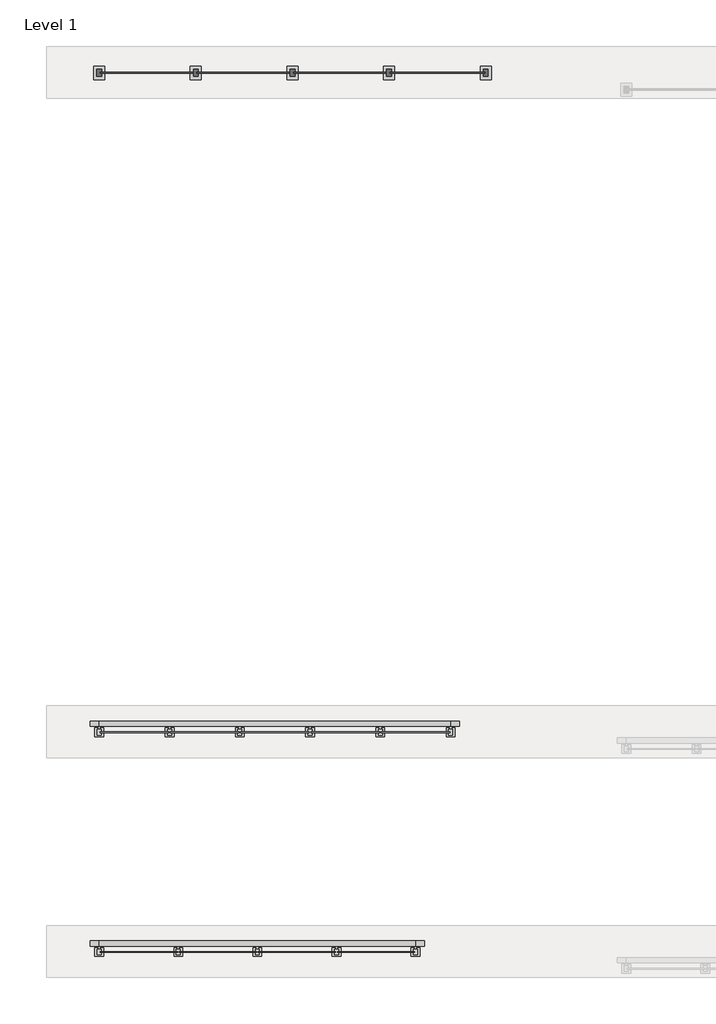
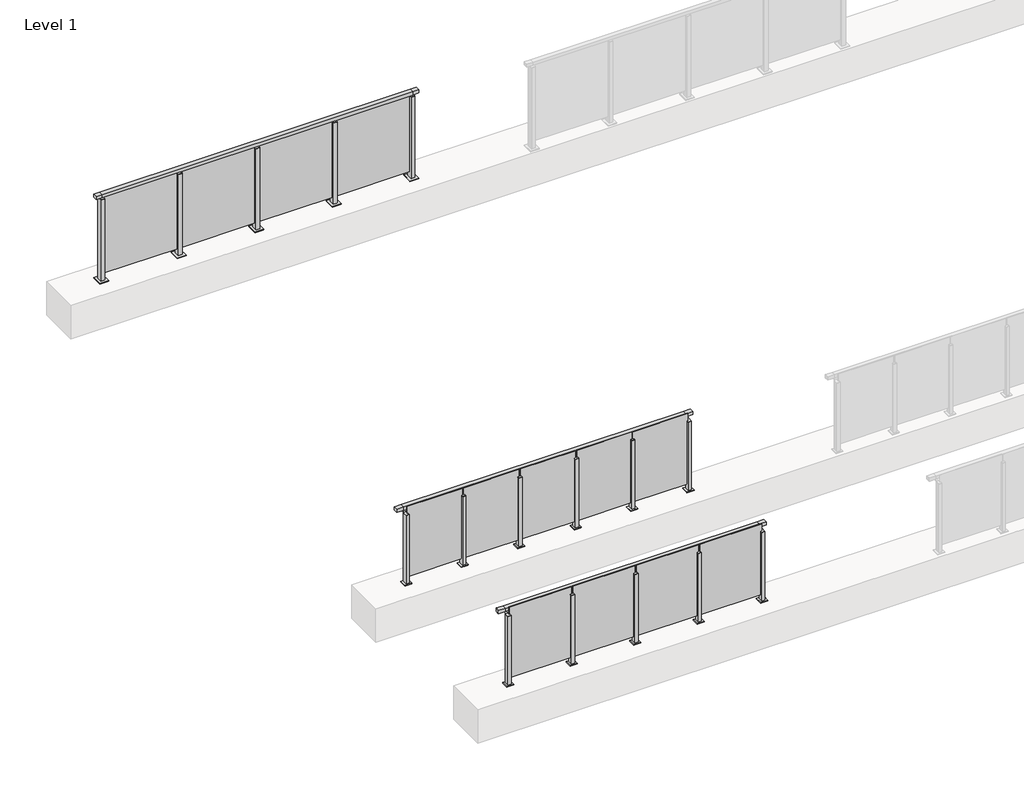
# One storey, part 10 of 38: 3 railings.
"""IFC4 building model written with IfcOpenShell, lengths in millimetres."""

from ifc_helpers import new_model, si_unit, point, frame, frame_2d, origin, origin_with_axes, place, context, project, spatial, polyline, circle_curve, trimmed, segment, composite_curve, outline, extrude, faceted_brep, element, save

model = new_model("IFC4")

# Units and contexts
model_context = context("Model", 3, world=origin())
ifc_project = project(units=[si_unit("LENGTHUNIT", "METRE", prefix="MILLI")], contexts=[model_context])

# Site, building, storey
site = spatial("IfcSite", under=ifc_project)
building = spatial("IfcBuilding", under=site)
storey = spatial("IfcBuildingStorey", under=building, Name="Level 1", Elevation=0.0)

# Railings
placement = place(None, origin())
element("IfcRailing", 1, at=placement, inside=storey, context=model_context, shape_type="SolidModel", body=[
    faceted_brep([(29476.1884576, 5315.6846828, 1052.5), (29476.1884576, 5315.6846828, 1100.0), (33076.1884576, 5315.6846828, 1100.0), (33076.1884576, 5315.6846828, 1052.5), (29476.1884576, 5255.6846828, 1052.5), (33076.1884576, 5255.6846828, 1052.5), (29476.1884576, 5255.6846828, 1100.0), (33076.1884576, 5255.6846828, 1100.0), (29376.1884576, 5315.6846828, 1100.0), (29376.1884576, 5315.6846828, 1052.5), (29376.1884576, 5255.6846828, 1052.5), (29376.1884576, 5255.6846828, 1100.0), (33176.1884576, 5315.6846828, 1100.0), (33176.1884576, 5255.6846828, 1100.0), (33176.1884576, 5255.6846828, 1052.5), (33176.1884576, 5315.6846828, 1052.5)], [[[0, 1, 2, 3]], [[4, 0, 3, 5]], [[6, 4, 5, 7]], [[1, 6, 7, 2]], [[8, 9, 10, 11]], [[9, 8, 1, 0]], [[10, 9, 0, 4]], [[11, 10, 4, 6]], [[8, 11, 6, 1]], [[12, 13, 14, 15]], [[3, 2, 12, 15]], [[5, 3, 15, 14]], [[7, 5, 14, 13]], [[2, 7, 13, 12]]]),
    extrude(outline(polyline([(32186.1884576, 5184.4094929), (32186.1884576, 5194.4094929), (33066.1884576, 5194.4094929), (33066.1884576, 5184.4094929), (32186.1884576, 5184.4094929)])), frame((0.0, 0.0, 95.0), z_axis=(0.0, 0.0, 1.0), x_axis=(1.0, 0.0, 0.0)), (0.0, 0.0, 1.0), 1055.0),
    extrude(outline(composite_curve([segment(polyline([(5310.6846828, 1085.0), (5310.6846828, 1060.900037)]), True, "CONTINUOUS"), segment(trimmed(circle_curve(frame_2d((5300.6846828, 1060.900037)), 10.0), [point((5310.6846828, 1060.900037))], [point((5303.2728733, 1051.2407787))], False, "CARTESIAN"), True, "CONTINUOUS"), segment(polyline([(5303.2728733, 1051.2407787), (5246.2244733, 1035.9547061)]), True, "CONTINUOUS"), segment(trimmed(circle_curve(frame_2d((5248.8126638, 1026.2954478)), 10.0), [point((5246.2244733, 1035.9547061))], [point((5238.8982152, 1027.6007097))], True, "CARTESIAN"), True, "CONTINUOUS"), segment(polyline([(5238.8982152, 1027.6007097), (5234.291393, 992.6084214)]), True, "CONTINUOUS"), segment(trimmed(circle_curve(frame_2d((5231.3170584, 993.0)), 3.0), [point((5234.291393, 992.6084214))], [point((5231.3170584, 990.0))], False, "CARTESIAN"), True, "CONTINUOUS"), segment(polyline([(5231.3170584, 990.0), (5222.6846828, 990.0), (5222.6846828, 1040.0), (5286.6846828, 1057.1487483), (5286.6846828, 1085.0), (5310.6846828, 1085.0)]), True, "CONTINUOUS")], self_intersect=False)), frame((32163.6884576, 0.0, 0.0), z_axis=(1.0, 0.0, 0.0), x_axis=(0.0, 1.0, 0.0)), (0.0, 0.0, 1.0), 25.0),
    extrude(outline(polyline([(32198.6884576, 5222.6846828), (32198.6884576, 5157.6846828), (32153.6884576, 5157.6846828), (32153.6884576, 5222.6846828), (32198.6884576, 5222.6846828)])), frame((0.0, 0.0, 1040.0), z_axis=(0.0, 0.0, 1.0), x_axis=(1.0, 0.0, 0.0)), (0.0, 0.0, 1.0), 5.0),
    extrude(outline(polyline([(32226.1884576, 5240.1846828), (32226.1884576, 5140.1846828), (32126.1884576, 5140.1846828), (32126.1884576, 5240.1846828), (32226.1884576, 5240.1846828)])), origin_with_axes(), (0.0, 0.0, 1.0), 12.0),
    extrude(outline(polyline([(32198.6884576, 5222.6846828), (32198.6884576, 5157.6846828), (32153.6884576, 5157.6846828), (32153.6884576, 5222.6846828), (32198.6884576, 5222.6846828)])), frame((0.0, 0.0, 12.0), z_axis=(0.0, 0.0, 1.0), x_axis=(1.0, 0.0, 0.0)), (0.0, 0.0, 1.0), 1028.0),
    extrude(outline(polyline([(31286.1884576, 5184.4094929), (31286.1884576, 5194.4094929), (32166.1884576, 5194.4094929), (32166.1884576, 5184.4094929), (31286.1884576, 5184.4094929)])), frame((0.0, 0.0, 95.0), z_axis=(0.0, 0.0, 1.0), x_axis=(1.0, 0.0, 0.0)), (0.0, 0.0, 1.0), 1055.0),
    extrude(outline(composite_curve([segment(polyline([(5310.6846828, 1085.0), (5310.6846828, 1060.900037)]), True, "CONTINUOUS"), segment(trimmed(circle_curve(frame_2d((5300.6846828, 1060.900037)), 10.0), [point((5310.6846828, 1060.900037))], [point((5303.2728733, 1051.2407787))], False, "CARTESIAN"), True, "CONTINUOUS"), segment(polyline([(5303.2728733, 1051.2407787), (5246.2244733, 1035.9547061)]), True, "CONTINUOUS"), segment(trimmed(circle_curve(frame_2d((5248.8126638, 1026.2954478)), 10.0), [point((5246.2244733, 1035.9547061))], [point((5238.8982152, 1027.6007097))], True, "CARTESIAN"), True, "CONTINUOUS"), segment(polyline([(5238.8982152, 1027.6007097), (5234.291393, 992.6084214)]), True, "CONTINUOUS"), segment(trimmed(circle_curve(frame_2d((5231.3170584, 993.0)), 3.0), [point((5234.291393, 992.6084214))], [point((5231.3170584, 990.0))], False, "CARTESIAN"), True, "CONTINUOUS"), segment(polyline([(5231.3170584, 990.0), (5222.6846828, 990.0), (5222.6846828, 1040.0), (5286.6846828, 1057.1487483), (5286.6846828, 1085.0), (5310.6846828, 1085.0)]), True, "CONTINUOUS")], self_intersect=False)), frame((31263.6884576, 0.0, 0.0), z_axis=(1.0, 0.0, 0.0), x_axis=(0.0, 1.0, 0.0)), (0.0, 0.0, 1.0), 25.0),
    extrude(outline(polyline([(31298.6884576, 5222.6846828), (31298.6884576, 5157.6846828), (31253.6884576, 5157.6846828), (31253.6884576, 5222.6846828), (31298.6884576, 5222.6846828)])), frame((0.0, 0.0, 1040.0), z_axis=(0.0, 0.0, 1.0), x_axis=(1.0, 0.0, 0.0)), (0.0, 0.0, 1.0), 5.0),
    extrude(outline(polyline([(31326.1884576, 5240.1846828), (31326.1884576, 5140.1846828), (31226.1884576, 5140.1846828), (31226.1884576, 5240.1846828), (31326.1884576, 5240.1846828)])), origin_with_axes(), (0.0, 0.0, 1.0), 12.0),
    extrude(outline(polyline([(31298.6884576, 5222.6846828), (31298.6884576, 5157.6846828), (31253.6884576, 5157.6846828), (31253.6884576, 5222.6846828), (31298.6884576, 5222.6846828)])), frame((0.0, 0.0, 12.0), z_axis=(0.0, 0.0, 1.0), x_axis=(1.0, 0.0, 0.0)), (0.0, 0.0, 1.0), 1028.0),
    extrude(outline(polyline([(30386.1884576, 5184.4094929), (30386.1884576, 5194.4094929), (31266.1884576, 5194.4094929), (31266.1884576, 5184.4094929), (30386.1884576, 5184.4094929)])), frame((0.0, 0.0, 95.0), z_axis=(0.0, 0.0, 1.0), x_axis=(1.0, 0.0, 0.0)), (0.0, 0.0, 1.0), 1055.0),
    extrude(outline(composite_curve([segment(polyline([(5310.6846828, 1085.0), (5310.6846828, 1060.900037)]), True, "CONTINUOUS"), segment(trimmed(circle_curve(frame_2d((5300.6846828, 1060.900037)), 10.0), [point((5310.6846828, 1060.900037))], [point((5303.2728733, 1051.2407787))], False, "CARTESIAN"), True, "CONTINUOUS"), segment(polyline([(5303.2728733, 1051.2407787), (5246.2244733, 1035.9547061)]), True, "CONTINUOUS"), segment(trimmed(circle_curve(frame_2d((5248.8126638, 1026.2954478)), 10.0), [point((5246.2244733, 1035.9547061))], [point((5238.8982152, 1027.6007097))], True, "CARTESIAN"), True, "CONTINUOUS"), segment(polyline([(5238.8982152, 1027.6007097), (5234.291393, 992.6084214)]), True, "CONTINUOUS"), segment(trimmed(circle_curve(frame_2d((5231.3170584, 993.0)), 3.0), [point((5234.291393, 992.6084214))], [point((5231.3170584, 990.0))], False, "CARTESIAN"), True, "CONTINUOUS"), segment(polyline([(5231.3170584, 990.0), (5222.6846828, 990.0), (5222.6846828, 1040.0), (5286.6846828, 1057.1487483), (5286.6846828, 1085.0), (5310.6846828, 1085.0)]), True, "CONTINUOUS")], self_intersect=False)), frame((30363.6884576, 0.0, 0.0), z_axis=(1.0, 0.0, 0.0), x_axis=(0.0, 1.0, 0.0)), (0.0, 0.0, 1.0), 25.0),
    extrude(outline(polyline([(30398.6884576, 5222.6846828), (30398.6884576, 5157.6846828), (30353.6884576, 5157.6846828), (30353.6884576, 5222.6846828), (30398.6884576, 5222.6846828)])), frame((0.0, 0.0, 1040.0), z_axis=(0.0, 0.0, 1.0), x_axis=(1.0, 0.0, 0.0)), (0.0, 0.0, 1.0), 5.0),
    extrude(outline(polyline([(30426.1884576, 5240.1846828), (30426.1884576, 5140.1846828), (30326.1884576, 5140.1846828), (30326.1884576, 5240.1846828), (30426.1884576, 5240.1846828)])), origin_with_axes(), (0.0, 0.0, 1.0), 12.0),
    extrude(outline(polyline([(30398.6884576, 5222.6846828), (30398.6884576, 5157.6846828), (30353.6884576, 5157.6846828), (30353.6884576, 5222.6846828), (30398.6884576, 5222.6846828)])), frame((0.0, 0.0, 12.0), z_axis=(0.0, 0.0, 1.0), x_axis=(1.0, 0.0, 0.0)), (0.0, 0.0, 1.0), 1028.0),
    extrude(outline(polyline([(29486.1884576, 5184.4094929), (29486.1884576, 5194.4094929), (30366.1884576, 5194.4094929), (30366.1884576, 5184.4094929), (29486.1884576, 5184.4094929)])), frame((0.0, 0.0, 95.0), z_axis=(0.0, 0.0, 1.0), x_axis=(1.0, 0.0, 0.0)), (0.0, 0.0, 1.0), 1055.0),
    extrude(outline(composite_curve([segment(polyline([(5310.6846828, 1085.0), (5310.6846828, 1060.900037)]), True, "CONTINUOUS"), segment(trimmed(circle_curve(frame_2d((5300.6846828, 1060.900037)), 10.0), [point((5310.6846828, 1060.900037))], [point((5303.2728733, 1051.2407787))], False, "CARTESIAN"), True, "CONTINUOUS"), segment(polyline([(5303.2728733, 1051.2407787), (5246.2244733, 1035.9547061)]), True, "CONTINUOUS"), segment(trimmed(circle_curve(frame_2d((5248.8126638, 1026.2954478)), 10.0), [point((5246.2244733, 1035.9547061))], [point((5238.8982152, 1027.6007097))], True, "CARTESIAN"), True, "CONTINUOUS"), segment(polyline([(5238.8982152, 1027.6007097), (5234.291393, 992.6084214)]), True, "CONTINUOUS"), segment(trimmed(circle_curve(frame_2d((5231.3170584, 993.0)), 3.0), [point((5234.291393, 992.6084214))], [point((5231.3170584, 990.0))], False, "CARTESIAN"), True, "CONTINUOUS"), segment(polyline([(5231.3170584, 990.0), (5222.6846828, 990.0), (5222.6846828, 1040.0), (5286.6846828, 1057.1487483), (5286.6846828, 1085.0), (5310.6846828, 1085.0)]), True, "CONTINUOUS")], self_intersect=False)), frame((33063.6884576, 0.0, 0.0), z_axis=(1.0, 0.0, 0.0), x_axis=(0.0, 1.0, 0.0)), (0.0, 0.0, 1.0), 25.0),
    extrude(outline(polyline([(33098.6884576, 5222.6846828), (33098.6884576, 5157.6846828), (33053.6884576, 5157.6846828), (33053.6884576, 5222.6846828), (33098.6884576, 5222.6846828)])), frame((0.0, 0.0, 1040.0), z_axis=(0.0, 0.0, 1.0), x_axis=(1.0, 0.0, 0.0)), (0.0, 0.0, 1.0), 5.0),
    extrude(outline(polyline([(33126.1884576, 5240.1846828), (33126.1884576, 5140.1846828), (33026.1884576, 5140.1846828), (33026.1884576, 5240.1846828), (33126.1884576, 5240.1846828)])), origin_with_axes(), (0.0, 0.0, 1.0), 12.0),
    extrude(outline(polyline([(33098.6884576, 5222.6846828), (33098.6884576, 5157.6846828), (33053.6884576, 5157.6846828), (33053.6884576, 5222.6846828), (33098.6884576, 5222.6846828)])), frame((0.0, 0.0, 12.0), z_axis=(0.0, 0.0, 1.0), x_axis=(1.0, 0.0, 0.0)), (0.0, 0.0, 1.0), 1028.0),
    extrude(outline(composite_curve([segment(polyline([(5310.6846828, 1085.0), (5310.6846828, 1060.900037)]), True, "CONTINUOUS"), segment(trimmed(circle_curve(frame_2d((5300.6846828, 1060.900037)), 10.0), [point((5310.6846828, 1060.900037))], [point((5303.2728733, 1051.2407787))], False, "CARTESIAN"), True, "CONTINUOUS"), segment(polyline([(5303.2728733, 1051.2407787), (5246.2244733, 1035.9547061)]), True, "CONTINUOUS"), segment(trimmed(circle_curve(frame_2d((5248.8126638, 1026.2954478)), 10.0), [point((5246.2244733, 1035.9547061))], [point((5238.8982152, 1027.6007097))], True, "CARTESIAN"), True, "CONTINUOUS"), segment(polyline([(5238.8982152, 1027.6007097), (5234.291393, 992.6084214)]), True, "CONTINUOUS"), segment(trimmed(circle_curve(frame_2d((5231.3170584, 993.0)), 3.0), [point((5234.291393, 992.6084214))], [point((5231.3170584, 990.0))], False, "CARTESIAN"), True, "CONTINUOUS"), segment(polyline([(5231.3170584, 990.0), (5222.6846828, 990.0), (5222.6846828, 1040.0), (5286.6846828, 1057.1487483), (5286.6846828, 1085.0), (5310.6846828, 1085.0)]), True, "CONTINUOUS")], self_intersect=False)), frame((29463.6884576, 0.0, 0.0), z_axis=(1.0, 0.0, 0.0), x_axis=(0.0, 1.0, 0.0)), (0.0, 0.0, 1.0), 25.0),
    extrude(outline(polyline([(29498.6884576, 5222.6846828), (29498.6884576, 5157.6846828), (29453.6884576, 5157.6846828), (29453.6884576, 5222.6846828), (29498.6884576, 5222.6846828)])), frame((0.0, 0.0, 1040.0), z_axis=(0.0, 0.0, 1.0), x_axis=(1.0, 0.0, 0.0)), (0.0, 0.0, 1.0), 5.0),
    extrude(outline(polyline([(29526.1884576, 5240.1846828), (29526.1884576, 5140.1846828), (29426.1884576, 5140.1846828), (29426.1884576, 5240.1846828), (29526.1884576, 5240.1846828)])), origin_with_axes(), (0.0, 0.0, 1.0), 12.0),
    extrude(outline(polyline([(29498.6884576, 5222.6846828), (29498.6884576, 5157.6846828), (29453.6884576, 5157.6846828), (29453.6884576, 5222.6846828), (29498.6884576, 5222.6846828)])), frame((0.0, 0.0, 12.0), z_axis=(0.0, 0.0, 1.0), x_axis=(1.0, 0.0, 0.0)), (0.0, 0.0, 1.0), 1028.0),
])
element("IfcRailing", 2, at=placement, inside=storey, context=model_context, shape_type="SolidModel", body=[
    faceted_brep([(29476.1884576, 7815.6846828, 1052.5), (29476.1884576, 7815.6846828, 1100.0), (33476.1884576, 7815.6846828, 1100.0), (33476.1884576, 7815.6846828, 1052.5), (29476.1884576, 7755.6846828, 1052.5), (33476.1884576, 7755.6846828, 1052.5), (29476.1884576, 7755.6846828, 1100.0), (33476.1884576, 7755.6846828, 1100.0), (29376.1884576, 7815.6846828, 1100.0), (29376.1884576, 7815.6846828, 1052.5), (29376.1884576, 7755.6846828, 1052.5), (29376.1884576, 7755.6846828, 1100.0), (33576.1884576, 7815.6846828, 1100.0), (33576.1884576, 7755.6846828, 1100.0), (33576.1884576, 7755.6846828, 1052.5), (33576.1884576, 7815.6846828, 1052.5)], [[[0, 1, 2, 3]], [[4, 0, 3, 5]], [[6, 4, 5, 7]], [[1, 6, 7, 2]], [[8, 9, 10, 11]], [[9, 8, 1, 0]], [[10, 9, 0, 4]], [[11, 10, 4, 6]], [[8, 11, 6, 1]], [[12, 13, 14, 15]], [[3, 2, 12, 15]], [[5, 3, 15, 14]], [[7, 5, 14, 13]], [[2, 7, 13, 12]]]),
    extrude(outline(polyline([(32686.1884576, 7684.4094929), (32686.1884576, 7694.4094929), (33466.1884576, 7694.4094929), (33466.1884576, 7684.4094929), (32686.1884576, 7684.4094929)])), frame((0.0, 0.0, 95.0), z_axis=(0.0, 0.0, 1.0), x_axis=(1.0, 0.0, 0.0)), (0.0, 0.0, 1.0), 1055.0),
    extrude(outline(composite_curve([segment(polyline([(7810.6846828, 1085.0), (7810.6846828, 1060.900037)]), True, "CONTINUOUS"), segment(trimmed(circle_curve(frame_2d((7800.6846828, 1060.900037)), 10.0), [point((7810.6846828, 1060.900037))], [point((7803.2728733, 1051.2407787))], False, "CARTESIAN"), True, "CONTINUOUS"), segment(polyline([(7803.2728733, 1051.2407787), (7746.2244733, 1035.9547061)]), True, "CONTINUOUS"), segment(trimmed(circle_curve(frame_2d((7748.8126638, 1026.2954478)), 10.0), [point((7746.2244733, 1035.9547061))], [point((7738.8982152, 1027.6007097))], True, "CARTESIAN"), True, "CONTINUOUS"), segment(polyline([(7738.8982152, 1027.6007097), (7734.291393, 992.6084214)]), True, "CONTINUOUS"), segment(trimmed(circle_curve(frame_2d((7731.3170584, 993.0)), 3.0), [point((7734.291393, 992.6084214))], [point((7731.3170584, 990.0))], False, "CARTESIAN"), True, "CONTINUOUS"), segment(polyline([(7731.3170584, 990.0), (7722.6846828, 990.0), (7722.6846828, 1040.0), (7786.6846828, 1057.1487483), (7786.6846828, 1085.0), (7810.6846828, 1085.0)]), True, "CONTINUOUS")], self_intersect=False)), frame((32663.6884576, 0.0, 0.0), z_axis=(1.0, 0.0, 0.0), x_axis=(0.0, 1.0, 0.0)), (0.0, 0.0, 1.0), 25.0),
    extrude(outline(polyline([(32698.6884576, 7722.6846828), (32698.6884576, 7657.6846828), (32653.6884576, 7657.6846828), (32653.6884576, 7722.6846828), (32698.6884576, 7722.6846828)])), frame((0.0, 0.0, 1040.0), z_axis=(0.0, 0.0, 1.0), x_axis=(1.0, 0.0, 0.0)), (0.0, 0.0, 1.0), 5.0),
    extrude(outline(polyline([(32726.1884576, 7740.1846828), (32726.1884576, 7640.1846828), (32626.1884576, 7640.1846828), (32626.1884576, 7740.1846828), (32726.1884576, 7740.1846828)])), origin_with_axes(), (0.0, 0.0, 1.0), 12.0),
    extrude(outline(polyline([(32698.6884576, 7722.6846828), (32698.6884576, 7657.6846828), (32653.6884576, 7657.6846828), (32653.6884576, 7722.6846828), (32698.6884576, 7722.6846828)])), frame((0.0, 0.0, 12.0), z_axis=(0.0, 0.0, 1.0), x_axis=(1.0, 0.0, 0.0)), (0.0, 0.0, 1.0), 1028.0),
    extrude(outline(polyline([(31886.1884576, 7684.4094929), (31886.1884576, 7694.4094929), (32666.1884576, 7694.4094929), (32666.1884576, 7684.4094929), (31886.1884576, 7684.4094929)])), frame((0.0, 0.0, 95.0), z_axis=(0.0, 0.0, 1.0), x_axis=(1.0, 0.0, 0.0)), (0.0, 0.0, 1.0), 1055.0),
    extrude(outline(composite_curve([segment(polyline([(7810.6846828, 1085.0), (7810.6846828, 1060.900037)]), True, "CONTINUOUS"), segment(trimmed(circle_curve(frame_2d((7800.6846828, 1060.900037)), 10.0), [point((7810.6846828, 1060.900037))], [point((7803.2728733, 1051.2407787))], False, "CARTESIAN"), True, "CONTINUOUS"), segment(polyline([(7803.2728733, 1051.2407787), (7746.2244733, 1035.9547061)]), True, "CONTINUOUS"), segment(trimmed(circle_curve(frame_2d((7748.8126638, 1026.2954478)), 10.0), [point((7746.2244733, 1035.9547061))], [point((7738.8982152, 1027.6007097))], True, "CARTESIAN"), True, "CONTINUOUS"), segment(polyline([(7738.8982152, 1027.6007097), (7734.291393, 992.6084214)]), True, "CONTINUOUS"), segment(trimmed(circle_curve(frame_2d((7731.3170584, 993.0)), 3.0), [point((7734.291393, 992.6084214))], [point((7731.3170584, 990.0))], False, "CARTESIAN"), True, "CONTINUOUS"), segment(polyline([(7731.3170584, 990.0), (7722.6846828, 990.0), (7722.6846828, 1040.0), (7786.6846828, 1057.1487483), (7786.6846828, 1085.0), (7810.6846828, 1085.0)]), True, "CONTINUOUS")], self_intersect=False)), frame((31863.6884576, 0.0, 0.0), z_axis=(1.0, 0.0, 0.0), x_axis=(0.0, 1.0, 0.0)), (0.0, 0.0, 1.0), 25.0),
    extrude(outline(polyline([(31898.6884576, 7722.6846828), (31898.6884576, 7657.6846828), (31853.6884576, 7657.6846828), (31853.6884576, 7722.6846828), (31898.6884576, 7722.6846828)])), frame((0.0, 0.0, 1040.0), z_axis=(0.0, 0.0, 1.0), x_axis=(1.0, 0.0, 0.0)), (0.0, 0.0, 1.0), 5.0),
    extrude(outline(polyline([(31926.1884576, 7740.1846828), (31926.1884576, 7640.1846828), (31826.1884576, 7640.1846828), (31826.1884576, 7740.1846828), (31926.1884576, 7740.1846828)])), origin_with_axes(), (0.0, 0.0, 1.0), 12.0),
    extrude(outline(polyline([(31898.6884576, 7722.6846828), (31898.6884576, 7657.6846828), (31853.6884576, 7657.6846828), (31853.6884576, 7722.6846828), (31898.6884576, 7722.6846828)])), frame((0.0, 0.0, 12.0), z_axis=(0.0, 0.0, 1.0), x_axis=(1.0, 0.0, 0.0)), (0.0, 0.0, 1.0), 1028.0),
    extrude(outline(polyline([(31086.1884576, 7684.4094929), (31086.1884576, 7694.4094929), (31866.1884576, 7694.4094929), (31866.1884576, 7684.4094929), (31086.1884576, 7684.4094929)])), frame((0.0, 0.0, 95.0), z_axis=(0.0, 0.0, 1.0), x_axis=(1.0, 0.0, 0.0)), (0.0, 0.0, 1.0), 1055.0),
    extrude(outline(composite_curve([segment(polyline([(7810.6846828, 1085.0), (7810.6846828, 1060.900037)]), True, "CONTINUOUS"), segment(trimmed(circle_curve(frame_2d((7800.6846828, 1060.900037)), 10.0), [point((7810.6846828, 1060.900037))], [point((7803.2728733, 1051.2407787))], False, "CARTESIAN"), True, "CONTINUOUS"), segment(polyline([(7803.2728733, 1051.2407787), (7746.2244733, 1035.9547061)]), True, "CONTINUOUS"), segment(trimmed(circle_curve(frame_2d((7748.8126638, 1026.2954478)), 10.0), [point((7746.2244733, 1035.9547061))], [point((7738.8982152, 1027.6007097))], True, "CARTESIAN"), True, "CONTINUOUS"), segment(polyline([(7738.8982152, 1027.6007097), (7734.291393, 992.6084214)]), True, "CONTINUOUS"), segment(trimmed(circle_curve(frame_2d((7731.3170584, 993.0)), 3.0), [point((7734.291393, 992.6084214))], [point((7731.3170584, 990.0))], False, "CARTESIAN"), True, "CONTINUOUS"), segment(polyline([(7731.3170584, 990.0), (7722.6846828, 990.0), (7722.6846828, 1040.0), (7786.6846828, 1057.1487483), (7786.6846828, 1085.0), (7810.6846828, 1085.0)]), True, "CONTINUOUS")], self_intersect=False)), frame((31063.6884576, 0.0, 0.0), z_axis=(1.0, 0.0, 0.0), x_axis=(0.0, 1.0, 0.0)), (0.0, 0.0, 1.0), 25.0),
    extrude(outline(polyline([(31098.6884576, 7722.6846828), (31098.6884576, 7657.6846828), (31053.6884576, 7657.6846828), (31053.6884576, 7722.6846828), (31098.6884576, 7722.6846828)])), frame((0.0, 0.0, 1040.0), z_axis=(0.0, 0.0, 1.0), x_axis=(1.0, 0.0, 0.0)), (0.0, 0.0, 1.0), 5.0),
    extrude(outline(polyline([(31126.1884576, 7740.1846828), (31126.1884576, 7640.1846828), (31026.1884576, 7640.1846828), (31026.1884576, 7740.1846828), (31126.1884576, 7740.1846828)])), origin_with_axes(), (0.0, 0.0, 1.0), 12.0),
    extrude(outline(polyline([(31098.6884576, 7722.6846828), (31098.6884576, 7657.6846828), (31053.6884576, 7657.6846828), (31053.6884576, 7722.6846828), (31098.6884576, 7722.6846828)])), frame((0.0, 0.0, 12.0), z_axis=(0.0, 0.0, 1.0), x_axis=(1.0, 0.0, 0.0)), (0.0, 0.0, 1.0), 1028.0),
    extrude(outline(polyline([(30286.1884576, 7684.4094929), (30286.1884576, 7694.4094929), (31066.1884576, 7694.4094929), (31066.1884576, 7684.4094929), (30286.1884576, 7684.4094929)])), frame((0.0, 0.0, 95.0), z_axis=(0.0, 0.0, 1.0), x_axis=(1.0, 0.0, 0.0)), (0.0, 0.0, 1.0), 1055.0),
    extrude(outline(composite_curve([segment(polyline([(7810.6846828, 1085.0), (7810.6846828, 1060.900037)]), True, "CONTINUOUS"), segment(trimmed(circle_curve(frame_2d((7800.6846828, 1060.900037)), 10.0), [point((7810.6846828, 1060.900037))], [point((7803.2728733, 1051.2407787))], False, "CARTESIAN"), True, "CONTINUOUS"), segment(polyline([(7803.2728733, 1051.2407787), (7746.2244733, 1035.9547061)]), True, "CONTINUOUS"), segment(trimmed(circle_curve(frame_2d((7748.8126638, 1026.2954478)), 10.0), [point((7746.2244733, 1035.9547061))], [point((7738.8982152, 1027.6007097))], True, "CARTESIAN"), True, "CONTINUOUS"), segment(polyline([(7738.8982152, 1027.6007097), (7734.291393, 992.6084214)]), True, "CONTINUOUS"), segment(trimmed(circle_curve(frame_2d((7731.3170584, 993.0)), 3.0), [point((7734.291393, 992.6084214))], [point((7731.3170584, 990.0))], False, "CARTESIAN"), True, "CONTINUOUS"), segment(polyline([(7731.3170584, 990.0), (7722.6846828, 990.0), (7722.6846828, 1040.0), (7786.6846828, 1057.1487483), (7786.6846828, 1085.0), (7810.6846828, 1085.0)]), True, "CONTINUOUS")], self_intersect=False)), frame((30263.6884576, 0.0, 0.0), z_axis=(1.0, 0.0, 0.0), x_axis=(0.0, 1.0, 0.0)), (0.0, 0.0, 1.0), 25.0),
    extrude(outline(polyline([(30298.6884576, 7722.6846828), (30298.6884576, 7657.6846828), (30253.6884576, 7657.6846828), (30253.6884576, 7722.6846828), (30298.6884576, 7722.6846828)])), frame((0.0, 0.0, 1040.0), z_axis=(0.0, 0.0, 1.0), x_axis=(1.0, 0.0, 0.0)), (0.0, 0.0, 1.0), 5.0),
    extrude(outline(polyline([(30326.1884576, 7740.1846828), (30326.1884576, 7640.1846828), (30226.1884576, 7640.1846828), (30226.1884576, 7740.1846828), (30326.1884576, 7740.1846828)])), origin_with_axes(), (0.0, 0.0, 1.0), 12.0),
    extrude(outline(polyline([(30298.6884576, 7722.6846828), (30298.6884576, 7657.6846828), (30253.6884576, 7657.6846828), (30253.6884576, 7722.6846828), (30298.6884576, 7722.6846828)])), frame((0.0, 0.0, 12.0), z_axis=(0.0, 0.0, 1.0), x_axis=(1.0, 0.0, 0.0)), (0.0, 0.0, 1.0), 1028.0),
    extrude(outline(polyline([(29486.1884576, 7684.4094929), (29486.1884576, 7694.4094929), (30266.1884576, 7694.4094929), (30266.1884576, 7684.4094929), (29486.1884576, 7684.4094929)])), frame((0.0, 0.0, 95.0), z_axis=(0.0, 0.0, 1.0), x_axis=(1.0, 0.0, 0.0)), (0.0, 0.0, 1.0), 1055.0),
    extrude(outline(composite_curve([segment(polyline([(7810.6846828, 1085.0), (7810.6846828, 1060.900037)]), True, "CONTINUOUS"), segment(trimmed(circle_curve(frame_2d((7800.6846828, 1060.900037)), 10.0), [point((7810.6846828, 1060.900037))], [point((7803.2728733, 1051.2407787))], False, "CARTESIAN"), True, "CONTINUOUS"), segment(polyline([(7803.2728733, 1051.2407787), (7746.2244733, 1035.9547061)]), True, "CONTINUOUS"), segment(trimmed(circle_curve(frame_2d((7748.8126638, 1026.2954478)), 10.0), [point((7746.2244733, 1035.9547061))], [point((7738.8982152, 1027.6007097))], True, "CARTESIAN"), True, "CONTINUOUS"), segment(polyline([(7738.8982152, 1027.6007097), (7734.291393, 992.6084214)]), True, "CONTINUOUS"), segment(trimmed(circle_curve(frame_2d((7731.3170584, 993.0)), 3.0), [point((7734.291393, 992.6084214))], [point((7731.3170584, 990.0))], False, "CARTESIAN"), True, "CONTINUOUS"), segment(polyline([(7731.3170584, 990.0), (7722.6846828, 990.0), (7722.6846828, 1040.0), (7786.6846828, 1057.1487483), (7786.6846828, 1085.0), (7810.6846828, 1085.0)]), True, "CONTINUOUS")], self_intersect=False)), frame((33463.6884576, 0.0, 0.0), z_axis=(1.0, 0.0, 0.0), x_axis=(0.0, 1.0, 0.0)), (0.0, 0.0, 1.0), 25.0),
    extrude(outline(polyline([(33498.6884576, 7722.6846828), (33498.6884576, 7657.6846828), (33453.6884576, 7657.6846828), (33453.6884576, 7722.6846828), (33498.6884576, 7722.6846828)])), frame((0.0, 0.0, 1040.0), z_axis=(0.0, 0.0, 1.0), x_axis=(1.0, 0.0, 0.0)), (0.0, 0.0, 1.0), 5.0),
    extrude(outline(polyline([(33526.1884576, 7740.1846828), (33526.1884576, 7640.1846828), (33426.1884576, 7640.1846828), (33426.1884576, 7740.1846828), (33526.1884576, 7740.1846828)])), origin_with_axes(), (0.0, 0.0, 1.0), 12.0),
    extrude(outline(polyline([(33498.6884576, 7722.6846828), (33498.6884576, 7657.6846828), (33453.6884576, 7657.6846828), (33453.6884576, 7722.6846828), (33498.6884576, 7722.6846828)])), frame((0.0, 0.0, 12.0), z_axis=(0.0, 0.0, 1.0), x_axis=(1.0, 0.0, 0.0)), (0.0, 0.0, 1.0), 1028.0),
    extrude(outline(composite_curve([segment(polyline([(7810.6846828, 1085.0), (7810.6846828, 1060.900037)]), True, "CONTINUOUS"), segment(trimmed(circle_curve(frame_2d((7800.6846828, 1060.900037)), 10.0), [point((7810.6846828, 1060.900037))], [point((7803.2728733, 1051.2407787))], False, "CARTESIAN"), True, "CONTINUOUS"), segment(polyline([(7803.2728733, 1051.2407787), (7746.2244733, 1035.9547061)]), True, "CONTINUOUS"), segment(trimmed(circle_curve(frame_2d((7748.8126638, 1026.2954478)), 10.0), [point((7746.2244733, 1035.9547061))], [point((7738.8982152, 1027.6007097))], True, "CARTESIAN"), True, "CONTINUOUS"), segment(polyline([(7738.8982152, 1027.6007097), (7734.291393, 992.6084214)]), True, "CONTINUOUS"), segment(trimmed(circle_curve(frame_2d((7731.3170584, 993.0)), 3.0), [point((7734.291393, 992.6084214))], [point((7731.3170584, 990.0))], False, "CARTESIAN"), True, "CONTINUOUS"), segment(polyline([(7731.3170584, 990.0), (7722.6846828, 990.0), (7722.6846828, 1040.0), (7786.6846828, 1057.1487483), (7786.6846828, 1085.0), (7810.6846828, 1085.0)]), True, "CONTINUOUS")], self_intersect=False)), frame((29463.6884576, 0.0, 0.0), z_axis=(1.0, 0.0, 0.0), x_axis=(0.0, 1.0, 0.0)), (0.0, 0.0, 1.0), 25.0),
    extrude(outline(polyline([(29498.6884576, 7722.6846828), (29498.6884576, 7657.6846828), (29453.6884576, 7657.6846828), (29453.6884576, 7722.6846828), (29498.6884576, 7722.6846828)])), frame((0.0, 0.0, 1040.0), z_axis=(0.0, 0.0, 1.0), x_axis=(1.0, 0.0, 0.0)), (0.0, 0.0, 1.0), 5.0),
    extrude(outline(polyline([(29526.1884576, 7740.1846828), (29526.1884576, 7640.1846828), (29426.1884576, 7640.1846828), (29426.1884576, 7740.1846828), (29526.1884576, 7740.1846828)])), origin_with_axes(), (0.0, 0.0, 1.0), 12.0),
    extrude(outline(polyline([(29498.6884576, 7722.6846828), (29498.6884576, 7657.6846828), (29453.6884576, 7657.6846828), (29453.6884576, 7722.6846828), (29498.6884576, 7722.6846828)])), frame((0.0, 0.0, 12.0), z_axis=(0.0, 0.0, 1.0), x_axis=(1.0, 0.0, 0.0)), (0.0, 0.0, 1.0), 1028.0),
])
element("IfcRailing", 3, at=placement, inside=storey, context=model_context, shape_type="SolidModel", body=[
    faceted_brep([(29476.1884576, 15220.1846828, 1252.5), (29476.1884576, 15220.1846828, 1300.0), (33876.1884576, 15220.1846828, 1300.0), (33876.1884576, 15220.1846828, 1252.5), (29476.1884576, 15160.1846828, 1252.5), (33876.1884576, 15160.1846828, 1252.5), (29476.1884576, 15160.1846828, 1300.0), (33876.1884576, 15160.1846828, 1300.0), (29388.6884576, 15220.1846828, 1300.0), (29388.6884576, 15220.1846828, 1252.5), (29388.6884576, 15160.1846828, 1252.5), (29388.6884576, 15160.1846828, 1300.0), (33963.6884576, 15220.1846828, 1300.0), (33963.6884576, 15160.1846828, 1300.0), (33963.6884576, 15160.1846828, 1252.5), (33963.6884576, 15220.1846828, 1252.5)], [[[0, 1, 2, 3]], [[4, 0, 3, 5]], [[6, 4, 5, 7]], [[1, 6, 7, 2]], [[8, 9, 10, 11]], [[9, 8, 1, 0]], [[10, 9, 0, 4]], [[11, 10, 4, 6]], [[8, 11, 6, 1]], [[12, 13, 14, 15]], [[3, 2, 12, 15]], [[5, 3, 15, 14]], [[7, 5, 14, 13]], [[2, 7, 13, 12]]]),
    extrude(outline(polyline([(32786.1884576, 15196.9598727), (33866.1884576, 15196.9598727), (33866.1884576, 15184.9598727), (32786.1884576, 15184.9598727), (32786.1884576, 15196.9598727)])), frame((0.0, 0.0, 95.0), z_axis=(0.0, 0.0, 1.0), x_axis=(1.0, 0.0, 0.0)), (0.0, 0.0, 1.0), 1170.0),
    extrude(outline(polyline([(32803.1884576, 15151.1846828), (32749.1884576, 15151.1846828), (32749.1884576, 15229.1846828), (32803.1884576, 15229.1846828), (32803.1884576, 15151.1846828)])), frame((0.0, 0.0, 12.0), z_axis=(0.0, 0.0, 1.0), x_axis=(1.0, 0.0, 0.0)), (0.0, 0.0, 1.0), 1215.0),
    extrude(outline(polyline([(32786.1884576, 15180.1846828), (32766.1884576, 15180.1846828), (32766.1884576, 15200.1846828), (32786.1884576, 15200.1846828), (32786.1884576, 15180.1846828)])), frame((0.0, 0.0, 1235.0), z_axis=(0.0, 0.0, 1.0), x_axis=(1.0, 0.0, 0.0)), (0.0, 0.0, 1.0), 20.0),
    extrude(outline(polyline([(32803.1884576, 15151.1846828), (32749.1884576, 15151.1846828), (32749.1884576, 15229.1846828), (32803.1884576, 15229.1846828), (32803.1884576, 15151.1846828)])), frame((0.0, 0.0, 1227.0), z_axis=(0.0, 0.0, 1.0), x_axis=(1.0, 0.0, 0.0)), (0.0, 0.0, 1.0), 8.0),
    extrude(outline(polyline([(32838.6884576, 15115.1846828), (32713.6884576, 15115.1846828), (32713.6884576, 15265.1846828), (32838.6884576, 15265.1846828), (32838.6884576, 15115.1846828)])), origin_with_axes(), (0.0, 0.0, 1.0), 12.0),
    extrude(outline(polyline([(31686.1884576, 15196.9598727), (32766.1884576, 15196.9598727), (32766.1884576, 15184.9598727), (31686.1884576, 15184.9598727), (31686.1884576, 15196.9598727)])), frame((0.0, 0.0, 95.0), z_axis=(0.0, 0.0, 1.0), x_axis=(1.0, 0.0, 0.0)), (0.0, 0.0, 1.0), 1170.0),
    extrude(outline(polyline([(31703.1884576, 15151.1846828), (31649.1884576, 15151.1846828), (31649.1884576, 15229.1846828), (31703.1884576, 15229.1846828), (31703.1884576, 15151.1846828)])), frame((0.0, 0.0, 12.0), z_axis=(0.0, 0.0, 1.0), x_axis=(1.0, 0.0, 0.0)), (0.0, 0.0, 1.0), 1215.0),
    extrude(outline(polyline([(31686.1884576, 15180.1846828), (31666.1884576, 15180.1846828), (31666.1884576, 15200.1846828), (31686.1884576, 15200.1846828), (31686.1884576, 15180.1846828)])), frame((0.0, 0.0, 1235.0), z_axis=(0.0, 0.0, 1.0), x_axis=(1.0, 0.0, 0.0)), (0.0, 0.0, 1.0), 20.0),
    extrude(outline(polyline([(31703.1884576, 15151.1846828), (31649.1884576, 15151.1846828), (31649.1884576, 15229.1846828), (31703.1884576, 15229.1846828), (31703.1884576, 15151.1846828)])), frame((0.0, 0.0, 1227.0), z_axis=(0.0, 0.0, 1.0), x_axis=(1.0, 0.0, 0.0)), (0.0, 0.0, 1.0), 8.0),
    extrude(outline(polyline([(31738.6884576, 15115.1846828), (31613.6884576, 15115.1846828), (31613.6884576, 15265.1846828), (31738.6884576, 15265.1846828), (31738.6884576, 15115.1846828)])), origin_with_axes(), (0.0, 0.0, 1.0), 12.0),
    extrude(outline(polyline([(30586.1884576, 15196.9598727), (31666.1884576, 15196.9598727), (31666.1884576, 15184.9598727), (30586.1884576, 15184.9598727), (30586.1884576, 15196.9598727)])), frame((0.0, 0.0, 95.0), z_axis=(0.0, 0.0, 1.0), x_axis=(1.0, 0.0, 0.0)), (0.0, 0.0, 1.0), 1170.0),
    extrude(outline(polyline([(30603.1884576, 15151.1846828), (30549.1884576, 15151.1846828), (30549.1884576, 15229.1846828), (30603.1884576, 15229.1846828), (30603.1884576, 15151.1846828)])), frame((0.0, 0.0, 12.0), z_axis=(0.0, 0.0, 1.0), x_axis=(1.0, 0.0, 0.0)), (0.0, 0.0, 1.0), 1215.0),
    extrude(outline(polyline([(30586.1884576, 15180.1846828), (30566.1884576, 15180.1846828), (30566.1884576, 15200.1846828), (30586.1884576, 15200.1846828), (30586.1884576, 15180.1846828)])), frame((0.0, 0.0, 1235.0), z_axis=(0.0, 0.0, 1.0), x_axis=(1.0, 0.0, 0.0)), (0.0, 0.0, 1.0), 20.0),
    extrude(outline(polyline([(30603.1884576, 15151.1846828), (30549.1884576, 15151.1846828), (30549.1884576, 15229.1846828), (30603.1884576, 15229.1846828), (30603.1884576, 15151.1846828)])), frame((0.0, 0.0, 1227.0), z_axis=(0.0, 0.0, 1.0), x_axis=(1.0, 0.0, 0.0)), (0.0, 0.0, 1.0), 8.0),
    extrude(outline(polyline([(30638.6884576, 15115.1846828), (30513.6884576, 15115.1846828), (30513.6884576, 15265.1846828), (30638.6884576, 15265.1846828), (30638.6884576, 15115.1846828)])), origin_with_axes(), (0.0, 0.0, 1.0), 12.0),
    extrude(outline(polyline([(29486.1884576, 15196.9598727), (30566.1884576, 15196.9598727), (30566.1884576, 15184.9598727), (29486.1884576, 15184.9598727), (29486.1884576, 15196.9598727)])), frame((0.0, 0.0, 95.0), z_axis=(0.0, 0.0, 1.0), x_axis=(1.0, 0.0, 0.0)), (0.0, 0.0, 1.0), 1170.0),
    extrude(outline(polyline([(33903.1884576, 15151.1846828), (33849.1884576, 15151.1846828), (33849.1884576, 15229.1846828), (33903.1884576, 15229.1846828), (33903.1884576, 15151.1846828)])), frame((0.0, 0.0, 12.0), z_axis=(0.0, 0.0, 1.0), x_axis=(1.0, 0.0, 0.0)), (0.0, 0.0, 1.0), 1215.0),
    extrude(outline(polyline([(33886.1884576, 15180.1846828), (33866.1884576, 15180.1846828), (33866.1884576, 15200.1846828), (33886.1884576, 15200.1846828), (33886.1884576, 15180.1846828)])), frame((0.0, 0.0, 1235.0), z_axis=(0.0, 0.0, 1.0), x_axis=(1.0, 0.0, 0.0)), (0.0, 0.0, 1.0), 20.0),
    extrude(outline(polyline([(33903.1884576, 15151.1846828), (33849.1884576, 15151.1846828), (33849.1884576, 15229.1846828), (33903.1884576, 15229.1846828), (33903.1884576, 15151.1846828)])), frame((0.0, 0.0, 1227.0), z_axis=(0.0, 0.0, 1.0), x_axis=(1.0, 0.0, 0.0)), (0.0, 0.0, 1.0), 8.0),
    extrude(outline(polyline([(33938.6884576, 15115.1846828), (33813.6884576, 15115.1846828), (33813.6884576, 15265.1846828), (33938.6884576, 15265.1846828), (33938.6884576, 15115.1846828)])), origin_with_axes(), (0.0, 0.0, 1.0), 12.0),
    extrude(outline(polyline([(29503.1884576, 15151.1846828), (29449.1884576, 15151.1846828), (29449.1884576, 15229.1846828), (29503.1884576, 15229.1846828), (29503.1884576, 15151.1846828)])), frame((0.0, 0.0, 12.0), z_axis=(0.0, 0.0, 1.0), x_axis=(1.0, 0.0, 0.0)), (0.0, 0.0, 1.0), 1215.0),
    extrude(outline(polyline([(29486.1884576, 15180.1846828), (29466.1884576, 15180.1846828), (29466.1884576, 15200.1846828), (29486.1884576, 15200.1846828), (29486.1884576, 15180.1846828)])), frame((0.0, 0.0, 1235.0), z_axis=(0.0, 0.0, 1.0), x_axis=(1.0, 0.0, 0.0)), (0.0, 0.0, 1.0), 20.0),
    extrude(outline(polyline([(29503.1884576, 15151.1846828), (29449.1884576, 15151.1846828), (29449.1884576, 15229.1846828), (29503.1884576, 15229.1846828), (29503.1884576, 15151.1846828)])), frame((0.0, 0.0, 1227.0), z_axis=(0.0, 0.0, 1.0), x_axis=(1.0, 0.0, 0.0)), (0.0, 0.0, 1.0), 8.0),
    extrude(outline(polyline([(29538.6884576, 15115.1846828), (29413.6884576, 15115.1846828), (29413.6884576, 15265.1846828), (29538.6884576, 15265.1846828), (29538.6884576, 15115.1846828)])), origin_with_axes(), (0.0, 0.0, 1.0), 12.0),
])

save(model, "model.ifc")
